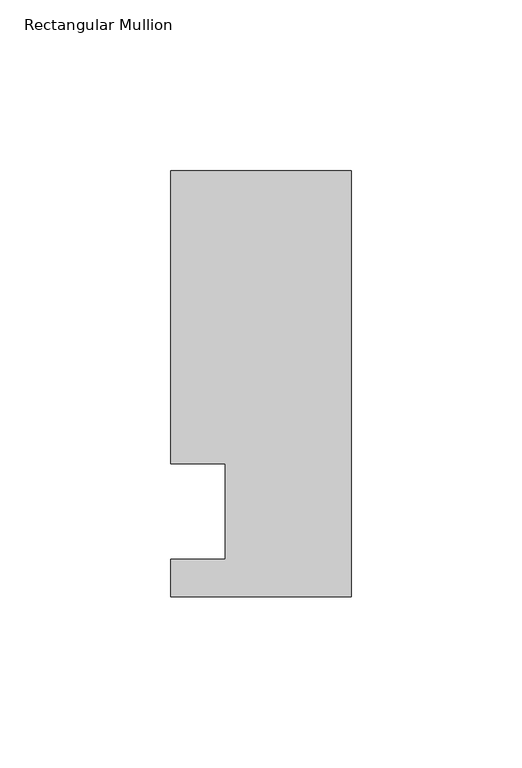
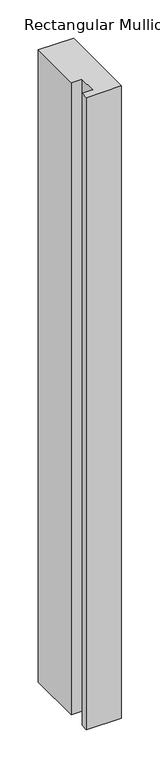
"""IFC4 building model written with IfcOpenShell, lengths in millimetres: member geometry, Rectangular Mullion."""

from ifc_helpers import new_model, si_unit, frame, origin, place, context, project, spatial, polyline, outline, extrude, source, transform, mapped, element, save


def rectangular_mullion_f2e4ad43(model_context):
    return source(origin(), model_context, "Body", "SweptSolid", [
        extrude(outline(polyline([(0.0, -25.0), (-53.0, -25.0), (-53.0, -14.0), (-37.0, -14.0), (-37.0, 13.9998907), (-53.0, 13.9998907), (-53.0, 100.0), (0.0, 100.0), (0.0, -25.0)])), frame((0.0, 0.0, -1006.6623342), z_axis=(0.0, 0.0, 1.0), x_axis=(1.0, 0.0, 0.0)), (0.0, 0.0, 1.0), 1006.6623342),
    ])


if __name__ == "__main__":
    model = new_model("IFC4")
    model_context = context("Model", 3, world=origin())
    ifc_project = project(units=[si_unit("LENGTHUNIT", "METRE", prefix="MILLI")], contexts=[model_context])
    site = spatial("IfcSite", under=ifc_project)
    building = spatial("IfcBuilding", under=site)
    placement = place(None, origin())
    rectangular_mullion_shape = rectangular_mullion_f2e4ad43(model_context)
    element("IfcMember", 1, ObjectType="Rectangular Mullion", at=placement, inside=building, context=model_context, shape_type="MappedRepresentation", body=[
        mapped(rectangular_mullion_shape, transform((0.0, 0.0, 0.0), x_axis=(1.0, 0.0, 0.0), y_axis=(0.0, 1.0, 0.0), z_axis=(0.0, 0.0, 1.0))),
    ])
    save(model, "model.ifc")
